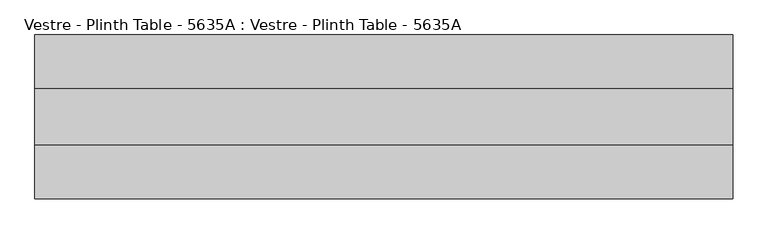
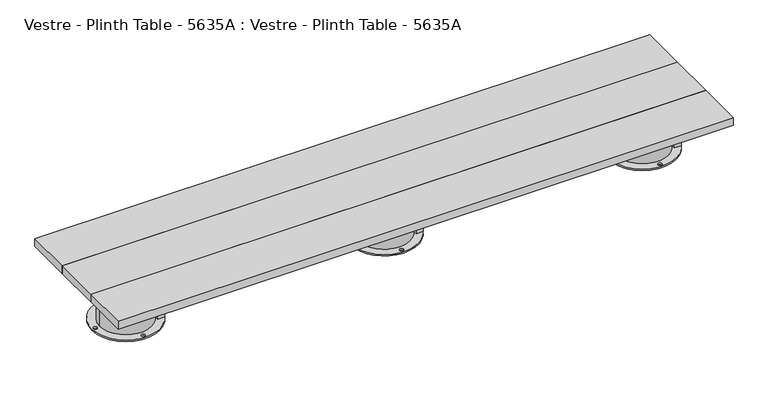
"""IFC4 building model written with IfcOpenShell, lengths in millimetres: furniture geometry, Vestre - Plinth Table - 5635A : Vestre - Plinth Table - 5635A."""

from ifc_helpers import new_model, si_unit, frame, origin, place, context, project, spatial, polyline, circle_curve, outline, extrude, source, transform, mapped, element, save
from ifc_brep_helpers import plane_surface, cylinder_surface, revolved_surface, advanced_brep


def vestre_plinth_table_5635a_vestre_plinth_table_5635a_af89d1ee(model_context):
    return source(origin(), model_context, "Body", "SolidModel", [
        advanced_brep(
        [(108.1777507, -202.4998463, 74.9999847), (-108.1777507, -202.4998463, 74.9999847), (-109.5841279, -219.9999989, 74.9999847), (-108.1777507, -237.5001515, 74.9999847), (108.1777507, -237.5001515, 74.9999847), (109.5841279, -219.9999989, 74.9999847), (108.1777507, -202.4998463, 164.9999847), (-108.1777507, -202.4998463, 164.9999847), (-108.1777507, -237.5001515, 164.9999847), (108.1777507, -237.5001515, 164.9999847), (144.5284655, -219.9999989, 0.0), (-144.531744, -219.9999989, 0.0), (138.0, -219.9999989, 0.0), (122.0, -219.9999989, 0.0), (8.0, -90.0001458, 0.0), (-8.0, -90.0001458, 0.0), (-138.0032784, -219.9999989, 0.0), (-122.0032784, -219.9999989, 0.0), (8.0, -349.9998521, 0.0), (-8.0, -349.9998521, 0.0), (-109.5841279, -219.9999989, 5.8600001), (109.5841279, -219.9999989, 5.8600001), (144.5284655, -219.9999989, 5.8600001), (-144.531744, -219.9999989, 5.8600001), (138.0, -219.9999989, 5.8600001), (122.0, -219.9999989, 5.8600001), (8.0, -90.0001458, 5.8600001), (-8.0, -90.0001458, 5.8600001), (-138.0032784, -219.9999989, 5.8600001), (-122.0032784, -219.9999989, 5.8600001), (8.0, -349.9998521, 5.8600001), (-8.0, -349.9998521, 5.8600001)],
        [
            (0, 1),
            (1, 2, circle_curve(frame((0.0, -219.9999989, 74.9999847), z_axis=(0.0, 0.0, 1.0), x_axis=(-1.0, 0.0, 0.0)), 109.5841279)),
            (2, 3, circle_curve(frame((0.0, -219.9999989, 74.9999847), z_axis=(0.0, 0.0, 1.0), x_axis=(-1.0, 0.0, 0.0)), 109.5841279)),
            (3, 4),
            (4, 5, circle_curve(frame((0.0, -219.9999989, 74.9999847), z_axis=(0.0, 0.0, 1.0), x_axis=(-1.0, 0.0, 0.0)), 109.5841279)),
            (5, 0, circle_curve(frame((0.0, -219.9999989, 74.9999847), z_axis=(0.0, 0.0, 1.0), x_axis=(-1.0, 0.0, 0.0)), 109.5841279)),
            (0, 6),
            (6, 7),
            (7, 1),
            (3, 8),
            (8, 9),
            (9, 4),
            (6, 7, circle_curve(frame((0.0, -219.9999989, 164.9999847), z_axis=(0.0, 0.0, 1.0), x_axis=(-1.0, 0.0, 0.0)), 109.5841279)),
            (8, 9, circle_curve(frame((0.0, -219.9999989, 164.9999847), z_axis=(0.0, 0.0, 1.0), x_axis=(-1.0, 0.0, 0.0)), 109.5841279)),
            (10, 11, circle_curve(frame((-0.0016392, -219.9999989, 0.0), z_axis=(0.0, 0.0, -1.0), x_axis=(-1.0, 0.0, 0.0)), 144.5301047)),
            (11, 10, circle_curve(frame((-0.0016392, -219.9999989, 0.0), z_axis=(0.0, 0.0, -1.0), x_axis=(-1.0, 0.0, 0.0)), 144.5301047)),
            (12, 13, circle_curve(frame((130.0, -219.9999989, 0.0), z_axis=(0.0, 0.0, 1.0), x_axis=(-1.0, 0.0, 0.0)), 8.0)),
            (13, 12, circle_curve(frame((130.0, -219.9999989, 0.0), z_axis=(0.0, 0.0, 1.0), x_axis=(-1.0, 0.0, 0.0)), 8.0)),
            (14, 15, circle_curve(frame((0.0, -90.0001458, 0.0), z_axis=(0.0, 0.0, 1.0), x_axis=(-1.0, 0.0, 0.0)), 8.0)),
            (15, 14, circle_curve(frame((0.0, -90.0001458, 0.0), z_axis=(0.0, 0.0, 1.0), x_axis=(-1.0, 0.0, 0.0)), 8.0)),
            (16, 17, circle_curve(frame((-130.0032784, -219.9999989, 0.0), z_axis=(0.0, 0.0, 1.0), x_axis=(1.0, 0.0, 0.0)), 8.0)),
            (17, 16, circle_curve(frame((-130.0032784, -219.9999989, 0.0), z_axis=(0.0, 0.0, 1.0), x_axis=(1.0, 0.0, 0.0)), 8.0)),
            (18, 19, circle_curve(frame((0.0, -349.9998521, 0.0), z_axis=(0.0, 0.0, 1.0), x_axis=(-1.0, 0.0, 0.0)), 8.0)),
            (19, 18, circle_curve(frame((0.0, -349.9998521, 0.0), z_axis=(0.0, 0.0, 1.0), x_axis=(-1.0, 0.0, 0.0)), 8.0)),
            (2, 20),
            (20, 21, circle_curve(frame((0.0, -219.9999989, 5.8600001), z_axis=(0.0, 0.0, 1.0), x_axis=(-1.0, 0.0, 0.0)), 109.5841279)),
            (21, 5),
            (21, 20, circle_curve(frame((0.0, -219.9999989, 5.8600001), z_axis=(0.0, 0.0, 1.0), x_axis=(-1.0, 0.0, 0.0)), 109.5841279)),
            (22, 23, circle_curve(frame((-0.0016392, -219.9999989, 5.8600001), z_axis=(0.0, 0.0, 1.0), x_axis=(-1.0, 0.0, 0.0)), 144.5301047)),
            (23, 22, circle_curve(frame((-0.0016392, -219.9999989, 5.8600001), z_axis=(0.0, 0.0, 1.0), x_axis=(-1.0, 0.0, 0.0)), 144.5301047)),
            (24, 25, circle_curve(frame((130.0, -219.9999989, 5.8600001), z_axis=(0.0, 0.0, -1.0), x_axis=(-1.0, 0.0, 0.0)), 8.0)),
            (25, 24, circle_curve(frame((130.0, -219.9999989, 5.8600001), z_axis=(0.0, 0.0, -1.0), x_axis=(-1.0, 0.0, 0.0)), 8.0)),
            (26, 27, circle_curve(frame((0.0, -90.0001458, 5.8600001), z_axis=(0.0, 0.0, -1.0), x_axis=(-1.0, 0.0, 0.0)), 8.0)),
            (27, 26, circle_curve(frame((0.0, -90.0001458, 5.8600001), z_axis=(0.0, 0.0, -1.0), x_axis=(-1.0, 0.0, 0.0)), 8.0)),
            (28, 29, circle_curve(frame((-130.0032784, -219.9999989, 5.8600001), z_axis=(0.0, 0.0, -1.0), x_axis=(1.0, 0.0, 0.0)), 8.0)),
            (29, 28, circle_curve(frame((-130.0032784, -219.9999989, 5.8600001), z_axis=(0.0, 0.0, -1.0), x_axis=(1.0, 0.0, 0.0)), 8.0)),
            (30, 31, circle_curve(frame((0.0, -349.9998521, 5.8600001), z_axis=(0.0, 0.0, -1.0), x_axis=(-1.0, 0.0, 0.0)), 8.0)),
            (31, 30, circle_curve(frame((0.0, -349.9998521, 5.8600001), z_axis=(0.0, 0.0, -1.0), x_axis=(-1.0, 0.0, 0.0)), 8.0)),
            (22, 10),
            (11, 23),
            (24, 12),
            (13, 25),
            (26, 14),
            (15, 27),
            (28, 16),
            (17, 29),
            (30, 18),
            (19, 31),
        ],
        [
            plane_surface(frame((-130.5005464, -202.4998463, 74.9999847), z_axis=(0.0, 0.0, 1.0), x_axis=(1.0, 0.0, 0.0))),
            plane_surface(frame((-130.5005464, -202.4998463, 164.9999847), z_axis=(0.0, -1.0, 0.0), x_axis=(1.0, 0.0, 0.0))),
            plane_surface(frame((-130.5005464, -237.5001515, 74.9999847), z_axis=(0.0, 1.0, 0.0), x_axis=(1.0, 0.0, 0.0))),
            plane_surface(frame((-109.5841279, -219.9999989, 164.9999847), z_axis=(0.0, 0.0, 1.0), x_axis=(0.0, -1.0, 0.0))),
            plane_surface(frame((-109.5841279, -219.9999989, 0.0), z_axis=(0.0, 0.0, -1.0), x_axis=(0.0, 1.0, 0.0))),
            cylinder_surface(frame((0.0, -219.9999989, 0.0), z_axis=(0.0, 0.0, 1.0), x_axis=(-1.0, 0.0, 0.0)), 109.5841279),
            plane_surface(frame((-144.531744, -219.9999989, 5.8600001), z_axis=(0.0, 0.0, 1.0), x_axis=(0.0, -1.0, 0.0))),
            cylinder_surface(frame((-0.0016392, -219.9999989, 0.0), z_axis=(0.0, 0.0, 1.0), x_axis=(-1.0, 0.0, 0.0)), 144.5301047),
            revolved_surface(polyline([(122.0, -219.9999989, 0.0), (122.0, -219.9999989, 5.8600001)]), (130.0, -219.9999989, 0.0), (0.0, 0.0, -1.0)),
            revolved_surface(polyline([(-8.0, -90.0001458, 0.0), (-8.0, -90.0001458, 5.8600001)]), (0.0, -90.0001458, 0.0), (0.0, 0.0, -1.0)),
            revolved_surface(polyline([(-122.0032784, -219.9999989, 0.0), (-122.0032784, -219.9999989, 5.8600001)]), (-130.0032784, -219.9999989, 0.0), (0.0, 0.0, -1.0)),
            revolved_surface(polyline([(-8.0, -349.9998521, 0.0), (-8.0, -349.9998521, 5.8600001)]), (0.0, -349.9998521, 0.0), (0.0, 0.0, -1.0)),
        ],
        [
            (0, [[1, 2, 3, 4, 5, 6]]),
            (1, [[-1, 7, 8, 9]]),
            (2, [[-4, 10, 11, 12]]),
            (3, [[13, -8]]),
            (3, [[14, -11]]),
            (4, [[15, 16], [17, 18], [19, 20], [21, 22], [23, 24]]),
            (5, [[-14, -10, -3, 25, 26, 27, -5, -12]]),
            (5, [[-13, -7, -6, -27, 28, -25, -2, -9]]),
            (6, [[29, 30], [-26, -28], [31, 32], [33, 34], [35, 36], [37, 38]]),
            (7, [[-29, 39, -16, 40]]),
            (7, [[-30, -40, -15, -39]]),
            (8, [[-31, 41, -18, 42]]),
            (8, [[-32, -42, -17, -41]]),
            (9, [[-33, 43, -20, 44]]),
            (9, [[-34, -44, -19, -43]]),
            (10, [[-35, 45, -22, 46]]),
            (10, [[-36, -46, -21, -45]]),
            (11, [[-37, 47, -24, 48]]),
            (11, [[-38, -48, -23, -47]]),
        ],
    ),
        extrude(outline(polyline([(1116.0, -483.0002308), (1085.9816865, -483.0002308), (1085.9816865, 43.000233), (1116.0, 43.000233), (1116.0, -483.0002308)])), frame((0.0, 0.0, 164.9999847), z_axis=(0.0, 0.0, 1.0), x_axis=(1.0, 0.0, 0.0)), (0.0, 0.0, 1.0), 50.0),
        advanced_brep(
        [(1210.5835815, -219.9999989, 164.9999847), (992.8217029, -202.4998463, 164.9999847), (1089.0010928, -202.4998463, 164.9999847), (1089.0010928, -237.5001515, 164.9999847), (992.8217029, -237.5001515, 164.9999847), (1245.5295583, -219.9999989, 0.0), (956.4693488, -219.9999989, 0.0), (1239.0010928, -219.9999989, 0.0), (1223.0010928, -219.9999989, 0.0), (1109.0010928, -90.0001458, 0.0), (1093.0010928, -90.0001458, 0.0), (962.9978144, -219.9999989, 0.0), (978.9978144, -219.9999989, 0.0), (1109.0010928, -349.9998521, 0.0), (1093.0010928, -349.9998521, 0.0), (992.8217029, -237.5001515, 74.9999847), (991.4153257, -219.9999989, 74.9999847), (991.4153257, -219.9999989, 5.8600001), (1210.5835815, -219.9999989, 5.8600001), (992.8217029, -202.4998463, 74.9999847), (1089.0010928, -237.5001515, 74.9999847), (1089.0010928, -202.4998463, 74.9999847), (1245.5295583, -219.9999989, 5.8600001), (956.4693488, -219.9999989, 5.8600001), (1239.0010928, -219.9999989, 5.8600001), (1223.0010928, -219.9999989, 5.8600001), (1109.0010928, -90.0001458, 5.8600001), (1093.0010928, -90.0001458, 5.8600001), (962.9978144, -219.9999989, 5.8600001), (978.9978144, -219.9999989, 5.8600001), (1109.0010928, -349.9998521, 5.8600001), (1093.0010928, -349.9998521, 5.8600001)],
        [
            (0, 1, circle_curve(frame((1100.9994536, -219.9999989, 164.9999847), z_axis=(0.0, 0.0, 1.0), x_axis=(-1.0, 0.0, 0.0)), 109.5841279)),
            (1, 2),
            (2, 3),
            (3, 4),
            (4, 0, circle_curve(frame((1100.9994536, -219.9999989, 164.9999847), z_axis=(0.0, 0.0, 1.0), x_axis=(-1.0, 0.0, 0.0)), 109.5841279)),
            (5, 6, circle_curve(frame((1100.9994536, -219.9999989, 0.0), z_axis=(0.0, 0.0, -1.0), x_axis=(-1.0, 0.0, 0.0)), 144.5301047)),
            (6, 5, circle_curve(frame((1100.9994536, -219.9999989, 0.0), z_axis=(0.0, 0.0, -1.0), x_axis=(-1.0, 0.0, 0.0)), 144.5301047)),
            (7, 8, circle_curve(frame((1231.0010928, -219.9999989, 0.0), z_axis=(0.0, 0.0, 1.0), x_axis=(-1.0, 0.0, 0.0)), 8.0)),
            (8, 7, circle_curve(frame((1231.0010928, -219.9999989, 0.0), z_axis=(0.0, 0.0, 1.0), x_axis=(-1.0, 0.0, 0.0)), 8.0)),
            (9, 10, circle_curve(frame((1101.0010928, -90.0001458, 0.0), z_axis=(0.0, 0.0, 1.0), x_axis=(-1.0, 0.0, 0.0)), 8.0)),
            (10, 9, circle_curve(frame((1101.0010928, -90.0001458, 0.0), z_axis=(0.0, 0.0, 1.0), x_axis=(-1.0, 0.0, 0.0)), 8.0)),
            (11, 12, circle_curve(frame((970.9978144, -219.9999989, 0.0), z_axis=(0.0, 0.0, 1.0), x_axis=(1.0, 0.0, 0.0)), 8.0)),
            (12, 11, circle_curve(frame((970.9978144, -219.9999989, 0.0), z_axis=(0.0, 0.0, 1.0), x_axis=(1.0, 0.0, 0.0)), 8.0)),
            (13, 14, circle_curve(frame((1101.0010928, -349.9998521, 0.0), z_axis=(0.0, 0.0, 1.0), x_axis=(-1.0, 0.0, 0.0)), 8.0)),
            (14, 13, circle_curve(frame((1101.0010928, -349.9998521, 0.0), z_axis=(0.0, 0.0, 1.0), x_axis=(-1.0, 0.0, 0.0)), 8.0)),
            (4, 15),
            (15, 16, circle_curve(frame((1100.9994536, -219.9999989, 74.9999847), z_axis=(0.0, 0.0, -1.0), x_axis=(-1.0, 0.0, 0.0)), 109.5841279)),
            (16, 17),
            (17, 18, circle_curve(frame((1100.9994536, -219.9999989, 5.8600001), z_axis=(0.0, 0.0, 1.0), x_axis=(-1.0, 0.0, 0.0)), 109.5841279)),
            (18, 0),
            (18, 17, circle_curve(frame((1100.9994536, -219.9999989, 5.8600001), z_axis=(0.0, 0.0, 1.0), x_axis=(-1.0, 0.0, 0.0)), 109.5841279)),
            (16, 19, circle_curve(frame((1100.9994536, -219.9999989, 74.9999847), z_axis=(0.0, 0.0, -1.0), x_axis=(-1.0, 0.0, 0.0)), 109.5841279)),
            (19, 1),
            (20, 3),
            (2, 21),
            (21, 20),
            (21, 19),
            (15, 20),
            (22, 23, circle_curve(frame((1100.9994536, -219.9999989, 5.8600001), z_axis=(0.0, 0.0, 1.0), x_axis=(-1.0, 0.0, 0.0)), 144.5301047)),
            (23, 22, circle_curve(frame((1100.9994536, -219.9999989, 5.8600001), z_axis=(0.0, 0.0, 1.0), x_axis=(-1.0, 0.0, 0.0)), 144.5301047)),
            (24, 25, circle_curve(frame((1231.0010928, -219.9999989, 5.8600001), z_axis=(0.0, 0.0, -1.0), x_axis=(-1.0, 0.0, 0.0)), 8.0)),
            (25, 24, circle_curve(frame((1231.0010928, -219.9999989, 5.8600001), z_axis=(0.0, 0.0, -1.0), x_axis=(-1.0, 0.0, 0.0)), 8.0)),
            (26, 27, circle_curve(frame((1101.0010928, -90.0001458, 5.8600001), z_axis=(0.0, 0.0, -1.0), x_axis=(-1.0, 0.0, 0.0)), 8.0)),
            (27, 26, circle_curve(frame((1101.0010928, -90.0001458, 5.8600001), z_axis=(0.0, 0.0, -1.0), x_axis=(-1.0, 0.0, 0.0)), 8.0)),
            (28, 29, circle_curve(frame((970.9978144, -219.9999989, 5.8600001), z_axis=(0.0, 0.0, -1.0), x_axis=(1.0, 0.0, 0.0)), 8.0)),
            (29, 28, circle_curve(frame((970.9978144, -219.9999989, 5.8600001), z_axis=(0.0, 0.0, -1.0), x_axis=(1.0, 0.0, 0.0)), 8.0)),
            (30, 31, circle_curve(frame((1101.0010928, -349.9998521, 5.8600001), z_axis=(0.0, 0.0, -1.0), x_axis=(-1.0, 0.0, 0.0)), 8.0)),
            (31, 30, circle_curve(frame((1101.0010928, -349.9998521, 5.8600001), z_axis=(0.0, 0.0, -1.0), x_axis=(-1.0, 0.0, 0.0)), 8.0)),
            (23, 6),
            (5, 22),
            (25, 8),
            (7, 24),
            (27, 10),
            (9, 26),
            (29, 12),
            (11, 28),
            (31, 14),
            (13, 30),
        ],
        [
            plane_surface(frame((991.4153257, -219.9999989, 164.9999847), z_axis=(0.0, 0.0, 1.0), x_axis=(0.0, -1.0, 0.0))),
            plane_surface(frame((991.4153257, -219.9999989, 0.0), z_axis=(0.0, 0.0, -1.0), x_axis=(0.0, 1.0, 0.0))),
            cylinder_surface(frame((1100.9994536, -219.9999989, 0.0), z_axis=(0.0, 0.0, 1.0), x_axis=(-1.0, 0.0, 0.0)), 109.5841279),
            plane_surface(frame((1089.0010928, -237.5001515, 74.9999847), z_axis=(-1.0, 0.0, 0.0), x_axis=(0.0, 0.0, -1.0))),
            plane_surface(frame((970.5005464, -202.4998463, 74.9999847), z_axis=(0.0, 0.0, 1.0), x_axis=(1.0, 0.0, 0.0))),
            plane_surface(frame((970.5005464, -202.4998463, 164.9999847), z_axis=(0.0, -1.0, 0.0), x_axis=(1.0, 0.0, 0.0))),
            plane_surface(frame((970.5005464, -237.5001515, 74.9999847), z_axis=(0.0, 1.0, 0.0), x_axis=(1.0, 0.0, 0.0))),
            plane_surface(frame((956.4693488, -219.9999989, 5.8600001), z_axis=(0.0, 0.0, 1.0), x_axis=(0.0, -1.0, 0.0))),
            cylinder_surface(frame((1100.9994536, -219.9999989, 0.0), z_axis=(0.0, 0.0, 1.0), x_axis=(-1.0, 0.0, 0.0)), 144.5301047),
            revolved_surface(polyline([(1223.0010928, -219.9999989, 0.0), (1223.0010928, -219.9999989, 5.8600001)]), (1231.0010928, -219.9999989, 0.0), (0.0, 0.0, -1.0)),
            revolved_surface(polyline([(1093.0010928, -90.0001458, 0.0), (1093.0010928, -90.0001458, 5.8600001)]), (1101.0010928, -90.0001458, 0.0), (0.0, 0.0, -1.0)),
            revolved_surface(polyline([(978.9978144, -219.9999989, 0.0), (978.9978144, -219.9999989, 5.8600001)]), (970.9978144, -219.9999989, 0.0), (0.0, 0.0, -1.0)),
            revolved_surface(polyline([(1093.0010928, -349.9998521, 0.0), (1093.0010928, -349.9998521, 5.8600001)]), (1101.0010928, -349.9998521, 0.0), (0.0, 0.0, -1.0)),
        ],
        [
            (0, [[1, 2, 3, 4, 5]]),
            (1, [[6, 7], [8, 9], [10, 11], [12, 13], [14, 15]]),
            (2, [[-5, 16, 17, 18, 19, 20]]),
            (2, [[-1, -20, 21, -18, 22, 23]]),
            (3, [[24, -3, 25, 26]]),
            (4, [[-26, 27, -22, -17, 28]]),
            (5, [[-25, -2, -23, -27]]),
            (6, [[-24, -28, -16, -4]]),
            (7, [[29, 30], [-19, -21], [31, 32], [33, 34], [35, 36], [37, 38]]),
            (8, [[-30, 39, -6, 40]]),
            (8, [[-29, -40, -7, -39]]),
            (9, [[-32, 41, -8, 42]]),
            (9, [[-31, -42, -9, -41]]),
            (10, [[-34, 43, -10, 44]]),
            (10, [[-33, -44, -11, -43]]),
            (11, [[-36, 45, -12, 46]]),
            (11, [[-35, -46, -13, -45]]),
            (12, [[-38, 47, -14, 48]]),
            (12, [[-37, -48, -15, -47]]),
        ],
    ),
        extrude(outline(polyline([(15.0005464, -483.0002308), (-15.0177671, -483.0002308), (-15.0177671, 43.000233), (15.0005464, 43.000233), (15.0005464, -483.0002308)])), frame((0.0, 0.0, 164.9999847), z_axis=(0.0, 0.0, 1.0), x_axis=(1.0, 0.0, 0.0)), (0.0, 0.0, 1.0), 50.0),
        extrude(outline(polyline([(-1085.9816865, -483.0002308), (-1116.0, -483.0002308), (-1116.0, 43.000233), (-1085.9816865, 43.000233), (-1085.9816865, -483.0002308)])), frame((0.0, 0.0, 164.9999847), z_axis=(0.0, 0.0, 1.0), x_axis=(1.0, 0.0, 0.0)), (0.0, 0.0, 1.0), 50.0),
        advanced_brep(
        [(-1210.5835815, -219.9999989, 164.9999847), (-992.8217029, -237.5001515, 164.9999847), (-1089.0010928, -237.5001515, 164.9999847), (-1089.0010928, -202.4998463, 164.9999847), (-992.8217029, -202.4998463, 164.9999847), (-1245.5295583, -219.9999989, 0.0), (-956.4693488, -219.9999989, 0.0), (-1239.0010928, -219.9999989, 0.0), (-1223.0010928, -219.9999989, 0.0), (-1109.0010928, -90.0001458, 0.0), (-1093.0010928, -90.0001458, 0.0), (-962.9978144, -219.9999989, 0.0), (-978.9978144, -219.9999989, 0.0), (-1109.0010928, -349.9998521, 0.0), (-1093.0010928, -349.9998521, 0.0), (-1210.5835815, -219.9999989, 5.8600001), (-991.4153257, -219.9999989, 5.8600001), (-991.4153257, -219.9999989, 74.9999847), (-992.8217029, -237.5001515, 74.9999847), (-992.8217029, -202.4998463, 74.9999847), (-1089.0010928, -237.5001515, 74.9999847), (-1089.0010928, -202.4998463, 74.9999847), (-1245.5295583, -219.9999989, 5.8600001), (-956.4693488, -219.9999989, 5.8600001), (-1239.0010928, -219.9999989, 5.8600001), (-1223.0010928, -219.9999989, 5.8600001), (-1109.0010928, -90.0001458, 5.8600001), (-1093.0010928, -90.0001458, 5.8600001), (-962.9978144, -219.9999989, 5.8600001), (-978.9978144, -219.9999989, 5.8600001), (-1109.0010928, -349.9998521, 5.8600001), (-1093.0010928, -349.9998521, 5.8600001)],
        [
            (0, 1, circle_curve(frame((-1100.9994536, -219.9999989, 164.9999847), z_axis=(0.0, 0.0, 1.0), x_axis=(1.0, 0.0, 0.0)), 109.5841279)),
            (1, 2),
            (2, 3),
            (3, 4),
            (4, 0, circle_curve(frame((-1100.9994536, -219.9999989, 164.9999847), z_axis=(0.0, 0.0, 1.0), x_axis=(1.0, 0.0, 0.0)), 109.5841279)),
            (5, 6, circle_curve(frame((-1100.9994536, -219.9999989, 0.0), z_axis=(0.0, 0.0, -1.0), x_axis=(1.0, 0.0, 0.0)), 144.5301047)),
            (6, 5, circle_curve(frame((-1100.9994536, -219.9999989, 0.0), z_axis=(0.0, 0.0, -1.0), x_axis=(1.0, 0.0, 0.0)), 144.5301047)),
            (7, 8, circle_curve(frame((-1231.0010928, -219.9999989, 0.0), z_axis=(0.0, 0.0, 1.0), x_axis=(1.0, 0.0, 0.0)), 8.0)),
            (8, 7, circle_curve(frame((-1231.0010928, -219.9999989, 0.0), z_axis=(0.0, 0.0, 1.0), x_axis=(1.0, 0.0, 0.0)), 8.0)),
            (9, 10, circle_curve(frame((-1101.0010928, -90.0001458, 0.0), z_axis=(0.0, 0.0, 1.0), x_axis=(1.0, 0.0, 0.0)), 8.0)),
            (10, 9, circle_curve(frame((-1101.0010928, -90.0001458, 0.0), z_axis=(0.0, 0.0, 1.0), x_axis=(1.0, 0.0, 0.0)), 8.0)),
            (11, 12, circle_curve(frame((-970.9978144, -219.9999989, 0.0), z_axis=(0.0, 0.0, 1.0), x_axis=(-1.0, 0.0, 0.0)), 8.0)),
            (12, 11, circle_curve(frame((-970.9978144, -219.9999989, 0.0), z_axis=(0.0, 0.0, 1.0), x_axis=(-1.0, 0.0, 0.0)), 8.0)),
            (13, 14, circle_curve(frame((-1101.0010928, -349.9998521, 0.0), z_axis=(0.0, 0.0, 1.0), x_axis=(1.0, 0.0, 0.0)), 8.0)),
            (14, 13, circle_curve(frame((-1101.0010928, -349.9998521, 0.0), z_axis=(0.0, 0.0, 1.0), x_axis=(1.0, 0.0, 0.0)), 8.0)),
            (0, 15),
            (15, 16, circle_curve(frame((-1100.9994536, -219.9999989, 5.8600001), z_axis=(0.0, 0.0, 1.0), x_axis=(1.0, 0.0, 0.0)), 109.5841279)),
            (16, 17),
            (17, 18, circle_curve(frame((-1100.9994536, -219.9999989, 74.9999847), z_axis=(0.0, 0.0, -1.0), x_axis=(1.0, 0.0, 0.0)), 109.5841279)),
            (18, 1),
            (4, 19),
            (19, 17, circle_curve(frame((-1100.9994536, -219.9999989, 74.9999847), z_axis=(0.0, 0.0, -1.0), x_axis=(1.0, 0.0, 0.0)), 109.5841279)),
            (16, 15, circle_curve(frame((-1100.9994536, -219.9999989, 5.8600001), z_axis=(0.0, 0.0, 1.0), x_axis=(1.0, 0.0, 0.0)), 109.5841279)),
            (20, 21),
            (21, 3),
            (2, 20),
            (20, 18),
            (19, 21),
            (22, 23, circle_curve(frame((-1100.9994536, -219.9999989, 5.8600001), z_axis=(0.0, 0.0, 1.0), x_axis=(1.0, 0.0, 0.0)), 144.5301047)),
            (23, 22, circle_curve(frame((-1100.9994536, -219.9999989, 5.8600001), z_axis=(0.0, 0.0, 1.0), x_axis=(1.0, 0.0, 0.0)), 144.5301047)),
            (24, 25, circle_curve(frame((-1231.0010928, -219.9999989, 5.8600001), z_axis=(0.0, 0.0, -1.0), x_axis=(1.0, 0.0, 0.0)), 8.0)),
            (25, 24, circle_curve(frame((-1231.0010928, -219.9999989, 5.8600001), z_axis=(0.0, 0.0, -1.0), x_axis=(1.0, 0.0, 0.0)), 8.0)),
            (26, 27, circle_curve(frame((-1101.0010928, -90.0001458, 5.8600001), z_axis=(0.0, 0.0, -1.0), x_axis=(1.0, 0.0, 0.0)), 8.0)),
            (27, 26, circle_curve(frame((-1101.0010928, -90.0001458, 5.8600001), z_axis=(0.0, 0.0, -1.0), x_axis=(1.0, 0.0, 0.0)), 8.0)),
            (28, 29, circle_curve(frame((-970.9978144, -219.9999989, 5.8600001), z_axis=(0.0, 0.0, -1.0), x_axis=(-1.0, 0.0, 0.0)), 8.0)),
            (29, 28, circle_curve(frame((-970.9978144, -219.9999989, 5.8600001), z_axis=(0.0, 0.0, -1.0), x_axis=(-1.0, 0.0, 0.0)), 8.0)),
            (30, 31, circle_curve(frame((-1101.0010928, -349.9998521, 5.8600001), z_axis=(0.0, 0.0, -1.0), x_axis=(1.0, 0.0, 0.0)), 8.0)),
            (31, 30, circle_curve(frame((-1101.0010928, -349.9998521, 5.8600001), z_axis=(0.0, 0.0, -1.0), x_axis=(1.0, 0.0, 0.0)), 8.0)),
            (22, 5),
            (6, 23),
            (24, 7),
            (8, 25),
            (26, 9),
            (10, 27),
            (28, 11),
            (12, 29),
            (30, 13),
            (14, 31),
        ],
        [
            plane_surface(frame((-991.4153257, -219.9999989, 164.9999847), z_axis=(0.0, 0.0, 1.0), x_axis=(0.0, 1.0, 0.0))),
            plane_surface(frame((-991.4153257, -219.9999989, 0.0), z_axis=(0.0, 0.0, -1.0), x_axis=(0.0, -1.0, 0.0))),
            cylinder_surface(frame((-1100.9994536, -219.9999989, 0.0), z_axis=(0.0, 0.0, 1.0), x_axis=(1.0, 0.0, 0.0)), 109.5841279),
            plane_surface(frame((-1089.0010928, -202.4998463, 74.9999847), z_axis=(1.0, 0.0, 0.0), x_axis=(0.0, -1.0, 0.0))),
            plane_surface(frame((-970.5005464, -237.5001515, 74.9999847), z_axis=(0.0, 0.0, 1.0), x_axis=(-1.0, 0.0, 0.0))),
            plane_surface(frame((-970.5005464, -202.4998463, 74.9999847), z_axis=(0.0, -1.0, 0.0), x_axis=(-1.0, 0.0, 0.0))),
            plane_surface(frame((-970.5005464, -237.5001515, 164.9999847), z_axis=(0.0, 1.0, 0.0), x_axis=(-1.0, 0.0, 0.0))),
            plane_surface(frame((-956.4693488, -219.9999989, 5.8600001), z_axis=(0.0, 0.0, 1.0), x_axis=(0.0, 1.0, 0.0))),
            cylinder_surface(frame((-1100.9994536, -219.9999989, 0.0), z_axis=(0.0, 0.0, 1.0), x_axis=(1.0, 0.0, 0.0)), 144.5301047),
            revolved_surface(polyline([(-1223.0010928, -219.9999989, 0.0), (-1223.0010928, -219.9999989, 5.8600001)]), (-1231.0010928, -219.9999989, 0.0), (0.0, 0.0, -1.0)),
            revolved_surface(polyline([(-1093.0010928, -90.0001458, 0.0), (-1093.0010928, -90.0001458, 5.8600001)]), (-1101.0010928, -90.0001458, 0.0), (0.0, 0.0, -1.0)),
            revolved_surface(polyline([(-978.9978144, -219.9999989, 0.0), (-978.9978144, -219.9999989, 5.8600001)]), (-970.9978144, -219.9999989, 0.0), (0.0, 0.0, -1.0)),
            revolved_surface(polyline([(-1093.0010928, -349.9998521, 0.0), (-1093.0010928, -349.9998521, 5.8600001)]), (-1101.0010928, -349.9998521, 0.0), (0.0, 0.0, -1.0)),
        ],
        [
            (0, [[1, 2, 3, 4, 5]]),
            (1, [[6, 7], [8, 9], [10, 11], [12, 13], [14, 15]]),
            (2, [[-1, 16, 17, 18, 19, 20]]),
            (2, [[-5, 21, 22, -18, 23, -16]]),
            (3, [[24, 25, -3, 26]]),
            (4, [[-24, 27, -19, -22, 28]]),
            (5, [[-25, -28, -21, -4]]),
            (6, [[-26, -2, -20, -27]]),
            (7, [[29, 30], [-17, -23], [31, 32], [33, 34], [35, 36], [37, 38]]),
            (8, [[-29, 39, -7, 40]]),
            (8, [[-30, -40, -6, -39]]),
            (9, [[-31, 41, -9, 42]]),
            (9, [[-32, -42, -8, -41]]),
            (10, [[-33, 43, -11, 44]]),
            (10, [[-34, -44, -10, -43]]),
            (11, [[-35, 45, -13, 46]]),
            (11, [[-36, -46, -12, -45]]),
            (12, [[-37, 47, -15, 48]]),
            (12, [[-38, -48, -14, -47]]),
        ],
    ),
        extrude(outline(polyline([(1310.5001055, -114.9999989), (1310.5001055, -324.9999989), (-1310.5001055, -324.9999989), (-1310.5001055, -114.9999989), (1310.5001055, -114.9999989)])), frame((0.0, 0.0, 214.9999847), z_axis=(0.0, 0.0, 1.0), x_axis=(1.0, 0.0, 0.0)), (0.0, 0.0, 1.0), 35.0000153),
        extrude(outline(polyline([(1089.0001055, -202.4998463), (1089.0001055, -237.5001515), (-1089.0001055, -237.5001515), (-1089.0001055, -202.4998463), (1089.0001055, -202.4998463)])), frame((0.0, 0.0, 74.9999847), z_axis=(0.0, 0.0, 1.0), x_axis=(1.0, 0.0, 0.0)), (0.0, 0.0, 1.0), 90.0),
        extrude(outline(polyline([(1310.5001055, 87.500233), (1310.5001055, -114.9999989), (-1310.5001055, -114.9999989), (-1310.5001055, 87.500233), (1310.5001055, 87.500233)])), frame((0.0, 0.0, 214.9999847), z_axis=(0.0, 0.0, 1.0), x_axis=(1.0, 0.0, 0.0)), (0.0, 0.0, 1.0), 35.0000153),
        extrude(outline(polyline([(1310.5001055, -324.9999989), (1310.5001055, -527.5002308), (-1310.5001055, -527.5002308), (-1310.5001055, -324.9999989), (1310.5001055, -324.9999989)])), frame((0.0, 0.0, 214.9999847), z_axis=(0.0, 0.0, 1.0), x_axis=(1.0, 0.0, 0.0)), (0.0, 0.0, 1.0), 35.0000153),
    ])


if __name__ == "__main__":
    model = new_model("IFC4")
    model_context = context("Model", 3, world=origin())
    ifc_project = project(units=[si_unit("LENGTHUNIT", "METRE", prefix="MILLI")], contexts=[model_context])
    site = spatial("IfcSite", under=ifc_project)
    building = spatial("IfcBuilding", under=site)
    placement = place(None, origin())
    vestre_plinth_table_5635a_vestre_plinth_table_5635a_shape = vestre_plinth_table_5635a_vestre_plinth_table_5635a_af89d1ee(model_context)
    element("IfcFurniture", 1, ObjectType="Vestre - Plinth Table - 5635A : Vestre - Plinth Table - 5635A", at=placement, inside=building, context=model_context, shape_type="MappedRepresentation", body=[
        mapped(vestre_plinth_table_5635a_vestre_plinth_table_5635a_shape, transform((0.0, 0.0, 0.0), x_axis=(1.0, 0.0, 0.0), y_axis=(0.0, 1.0, 0.0), z_axis=(0.0, 0.0, 1.0))),
    ])
    save(model, "model.ifc")
